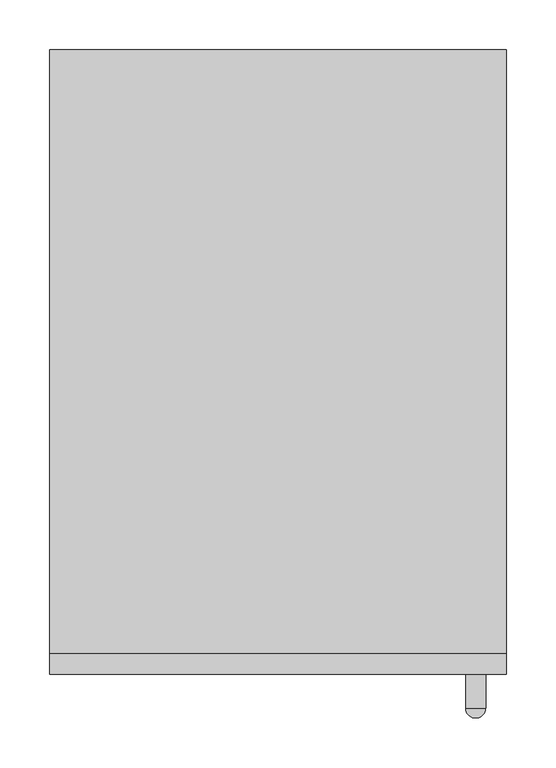
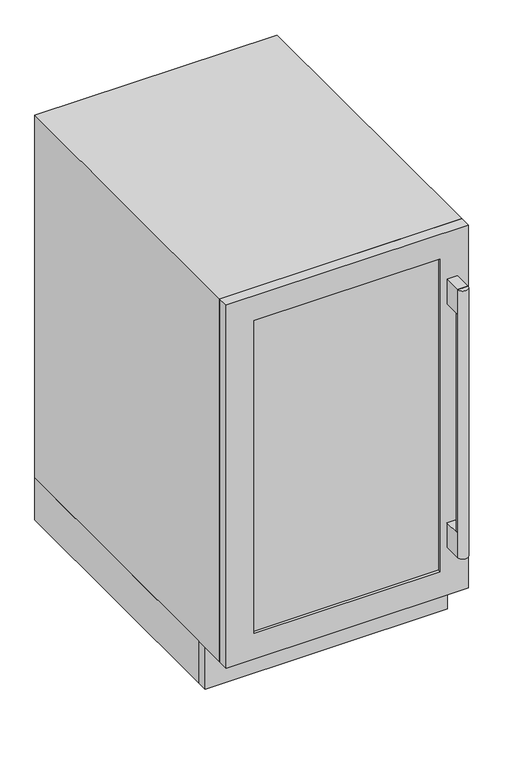
"""IFC4 building model written with IfcOpenShell, lengths in millimetres: proxy geometry."""

from ifc_helpers import new_model, si_unit, frame, origin, place, context, project, spatial, polyline, circle_curve, outline, extrude, source, transform, mapped, element, save
from ifc_brep_helpers import plane_surface, cylinder_surface, advanced_brep


def generic_models_91b37546(model_context):
    return source(origin(), model_context, "Body", "SolidModel", [
        extrude(outline(polyline([(416.8458536, -659.0), (416.8458536, -625.0), (436.7089802, -625.0), (436.7089802, -659.0), (416.8458536, -659.0)])), frame((0.0, 0.0, 197.6371599), z_axis=(0.0, 0.0, 1.0), x_axis=(1.0, 0.0, 0.0)), (0.0, 0.0, 1.0), 48.3961592),
        extrude(outline(polyline([(416.8458536, -659.0), (416.8458536, -625.0), (436.7089802, -625.0), (436.7089802, -659.0), (416.8458536, -659.0)])), frame((0.0, 0.0, 683.2301653), z_axis=(0.0, 0.0, 1.0), x_axis=(1.0, 0.0, 0.0)), (0.0, 0.0, 1.0), 48.3961592),
        advanced_brep(
        [(426.6869934, -659.0, 197.6371599), (416.6869934, -659.0, 197.6371599), (436.6869934, -659.0, 197.6371599), (416.6869934, -659.0, 731.6263245), (436.6869934, -659.0, 731.6263245), (426.6869934, -659.0, 731.6263245)],
        [
            (0, 1),
            (1, 2, circle_curve(frame((426.6869934, -659.0, 197.6371599), z_axis=(0.0, 0.0, -1.0), x_axis=(-1.0, 0.0, 0.0)), 10.0)),
            (2, 0),
            (2, 1, circle_curve(frame((426.6869934, -659.0, 197.6371599), z_axis=(0.0, 0.0, -1.0), x_axis=(-1.0, 0.0, 0.0)), 10.0)),
            (1, 3),
            (3, 4, circle_curve(frame((426.6869934, -659.0, 731.6263245), z_axis=(0.0, 0.0, -1.0), x_axis=(-1.0, 0.0, 0.0)), 10.0)),
            (4, 2),
            (4, 3, circle_curve(frame((426.6869934, -659.0, 731.6263245), z_axis=(0.0, 0.0, -1.0), x_axis=(-1.0, 0.0, 0.0)), 10.0)),
            (3, 5),
            (5, 4),
        ],
        [
            plane_surface(frame((426.6869934, -659.0, 197.6371599), z_axis=(0.0, 0.0, -1.0), x_axis=(-1.0, 0.0, 0.0))),
            cylinder_surface(frame((426.6869934, -659.0, 197.6371599), z_axis=(0.0, 0.0, -1.0), x_axis=(-1.0, 0.0, 0.0)), 10.0),
            plane_surface(frame((426.6869934, -659.0, 731.6263245), z_axis=(0.0, 0.0, 1.0), x_axis=(-1.0, 0.0, 0.0))),
        ],
        [
            (0, [[1, 2, 3]]),
            (0, [[-3, 4, -1]]),
            (1, [[-2, 5, 6, 7]]),
            (1, [[-4, -7, 8, -5]]),
            (2, [[-6, 9, 10]]),
            (2, [[-8, -10, -9]]),
        ],
    ),
        advanced_brep(
        [(380.9665588, -23.9652802, 0.0), (415.7943174, -23.9652802, 0.0), (398.3804381, -23.9652802, 0.0), (380.9665588, -23.9652802, 8.1111686), (415.7943174, -23.9652802, 8.1111686), (374.4151579, -23.9652802, 8.1111686), (422.3457183, -23.9652802, 8.1111686), (374.4151579, -23.9652802, 18.1111686), (422.3457183, -23.9652802, 18.1111686), (398.3804381, -23.9652802, 18.1111686)],
        [
            (0, 1, circle_curve(frame((398.3804381, -23.9652802, 0.0), z_axis=(0.0, 0.0, -1.0), x_axis=(1.0, 0.0, 0.0)), 17.4138793)),
            (1, 2),
            (2, 0),
            (1, 0, circle_curve(frame((398.3804381, -23.9652802, 0.0), z_axis=(0.0, 0.0, -1.0), x_axis=(1.0, 0.0, 0.0)), 17.4138793)),
            (3, 4, circle_curve(frame((398.3804381, -23.9652802, 8.1111686), z_axis=(0.0, 0.0, -1.0), x_axis=(1.0, 0.0, 0.0)), 17.4138793)),
            (4, 1),
            (0, 3),
            (4, 3, circle_curve(frame((398.3804381, -23.9652802, 8.1111686), z_axis=(0.0, 0.0, -1.0), x_axis=(1.0, 0.0, 0.0)), 17.4138793)),
            (5, 6, circle_curve(frame((398.3804381, -23.9652802, 8.1111686), z_axis=(0.0, 0.0, -1.0), x_axis=(1.0, 0.0, 0.0)), 23.9652802)),
            (6, 4),
            (3, 5),
            (6, 5, circle_curve(frame((398.3804381, -23.9652802, 8.1111686), z_axis=(0.0, 0.0, -1.0), x_axis=(1.0, 0.0, 0.0)), 23.9652802)),
            (7, 8, circle_curve(frame((398.3804381, -23.9652802, 18.1111686), z_axis=(0.0, 0.0, -1.0), x_axis=(1.0, 0.0, 0.0)), 23.9652802)),
            (8, 6),
            (5, 7),
            (8, 7, circle_curve(frame((398.3804381, -23.9652802, 18.1111686), z_axis=(0.0, 0.0, -1.0), x_axis=(1.0, 0.0, 0.0)), 23.9652802)),
            (9, 8),
            (7, 9),
        ],
        [
            plane_surface(frame((398.3804381, -23.9652802, 0.0), z_axis=(0.0, 0.0, -1.0), x_axis=(1.0, 0.0, 0.0))),
            cylinder_surface(frame((398.3804381, -23.9652802, 0.0), z_axis=(0.0, 0.0, 1.0), x_axis=(1.0, 0.0, 0.0)), 17.4138793),
            plane_surface(frame((398.3804381, -23.9652802, 8.1111686), z_axis=(0.0, 0.0, -1.0), x_axis=(1.0, 0.0, 0.0))),
            cylinder_surface(frame((398.3804381, -23.9652802, 0.0), z_axis=(0.0, 0.0, 1.0), x_axis=(1.0, 0.0, 0.0)), 23.9652802),
            plane_surface(frame((398.3804381, -23.9652802, 18.1111686), z_axis=(0.0, 0.0, 1.0), x_axis=(1.0, 0.0, 0.0))),
        ],
        [
            (0, [[1, 2, 3]]),
            (0, [[4, -3, -2]]),
            (1, [[5, 6, -1, 7]]),
            (1, [[8, -7, -4, -6]]),
            (2, [[9, 10, -5, 11]]),
            (2, [[12, -11, -8, -10]]),
            (3, [[13, 14, -9, 15]]),
            (3, [[16, -15, -12, -14]]),
            (4, [[17, -13, 18]]),
            (4, [[-18, -16, -17]]),
        ],
    ),
        advanced_brep(
        [(34.7165588, -23.9652802, 0.0), (69.5443174, -23.9652802, 0.0), (52.1304381, -23.9652802, 0.0), (34.7165588, -23.9652802, 8.1111686), (69.5443174, -23.9652802, 8.1111686), (28.1651579, -23.9652802, 8.1111686), (76.0957183, -23.9652802, 8.1111686), (28.1651579, -23.9652802, 18.1111686), (76.0957183, -23.9652802, 18.1111686), (52.1304381, -23.9652802, 18.1111686)],
        [
            (0, 1, circle_curve(frame((52.1304381, -23.9652802, 0.0), z_axis=(0.0, 0.0, -1.0), x_axis=(1.0, 0.0, 0.0)), 17.4138793)),
            (1, 2),
            (2, 0),
            (1, 0, circle_curve(frame((52.1304381, -23.9652802, 0.0), z_axis=(0.0, 0.0, -1.0), x_axis=(1.0, 0.0, 0.0)), 17.4138793)),
            (3, 4, circle_curve(frame((52.1304381, -23.9652802, 8.1111686), z_axis=(0.0, 0.0, -1.0), x_axis=(1.0, 0.0, 0.0)), 17.4138793)),
            (4, 1),
            (0, 3),
            (4, 3, circle_curve(frame((52.1304381, -23.9652802, 8.1111686), z_axis=(0.0, 0.0, -1.0), x_axis=(1.0, 0.0, 0.0)), 17.4138793)),
            (5, 6, circle_curve(frame((52.1304381, -23.9652802, 8.1111686), z_axis=(0.0, 0.0, -1.0), x_axis=(1.0, 0.0, 0.0)), 23.9652802)),
            (6, 4),
            (3, 5),
            (6, 5, circle_curve(frame((52.1304381, -23.9652802, 8.1111686), z_axis=(0.0, 0.0, -1.0), x_axis=(1.0, 0.0, 0.0)), 23.9652802)),
            (7, 8, circle_curve(frame((52.1304381, -23.9652802, 18.1111686), z_axis=(0.0, 0.0, -1.0), x_axis=(1.0, 0.0, 0.0)), 23.9652802)),
            (8, 6),
            (5, 7),
            (8, 7, circle_curve(frame((52.1304381, -23.9652802, 18.1111686), z_axis=(0.0, 0.0, -1.0), x_axis=(1.0, 0.0, 0.0)), 23.9652802)),
            (9, 8),
            (7, 9),
        ],
        [
            plane_surface(frame((52.1304381, -23.9652802, 0.0), z_axis=(0.0, 0.0, -1.0), x_axis=(1.0, 0.0, 0.0))),
            cylinder_surface(frame((52.1304381, -23.9652802, 0.0), z_axis=(0.0, 0.0, 1.0), x_axis=(1.0, 0.0, 0.0)), 17.4138793),
            plane_surface(frame((52.1304381, -23.9652802, 8.1111686), z_axis=(0.0, 0.0, -1.0), x_axis=(1.0, 0.0, 0.0))),
            cylinder_surface(frame((52.1304381, -23.9652802, 0.0), z_axis=(0.0, 0.0, 1.0), x_axis=(1.0, 0.0, 0.0)), 23.9652802),
            plane_surface(frame((52.1304381, -23.9652802, 18.1111686), z_axis=(0.0, 0.0, 1.0), x_axis=(1.0, 0.0, 0.0))),
        ],
        [
            (0, [[1, 2, 3]]),
            (0, [[4, -3, -2]]),
            (1, [[5, 6, -1, 7]]),
            (1, [[8, -7, -4, -6]]),
            (2, [[9, 10, -5, 11]]),
            (2, [[12, -11, -8, -10]]),
            (3, [[13, 14, -9, 15]]),
            (3, [[16, -15, -12, -14]]),
            (4, [[17, -13, 18]]),
            (4, [[-18, -16, -17]]),
        ],
    ),
        advanced_brep(
        [(380.9665588, -511.0679661, 0.0), (415.7943174, -511.0679661, 0.0), (398.3804381, -511.0679661, 0.0), (380.9665588, -511.0679661, 8.1111686), (415.7943174, -511.0679661, 8.1111686), (374.4151579, -511.0679661, 8.1111686), (422.3457183, -511.0679661, 8.1111686), (374.4151579, -511.0679661, 18.1111686), (422.3457183, -511.0679661, 18.1111686), (398.3804381, -511.0679661, 18.1111686)],
        [
            (0, 1, circle_curve(frame((398.3804381, -511.0679661, 0.0), z_axis=(0.0, 0.0, -1.0), x_axis=(1.0, 0.0, 0.0)), 17.4138793)),
            (1, 2),
            (2, 0),
            (1, 0, circle_curve(frame((398.3804381, -511.0679661, 0.0), z_axis=(0.0, 0.0, -1.0), x_axis=(1.0, 0.0, 0.0)), 17.4138793)),
            (3, 4, circle_curve(frame((398.3804381, -511.0679661, 8.1111686), z_axis=(0.0, 0.0, -1.0), x_axis=(1.0, 0.0, 0.0)), 17.4138793)),
            (4, 1),
            (0, 3),
            (4, 3, circle_curve(frame((398.3804381, -511.0679661, 8.1111686), z_axis=(0.0, 0.0, -1.0), x_axis=(1.0, 0.0, 0.0)), 17.4138793)),
            (5, 6, circle_curve(frame((398.3804381, -511.0679661, 8.1111686), z_axis=(0.0, 0.0, -1.0), x_axis=(1.0, 0.0, 0.0)), 23.9652802)),
            (6, 4),
            (3, 5),
            (6, 5, circle_curve(frame((398.3804381, -511.0679661, 8.1111686), z_axis=(0.0, 0.0, -1.0), x_axis=(1.0, 0.0, 0.0)), 23.9652802)),
            (7, 8, circle_curve(frame((398.3804381, -511.0679661, 18.1111686), z_axis=(0.0, 0.0, -1.0), x_axis=(1.0, 0.0, 0.0)), 23.9652802)),
            (8, 6),
            (5, 7),
            (8, 7, circle_curve(frame((398.3804381, -511.0679661, 18.1111686), z_axis=(0.0, 0.0, -1.0), x_axis=(1.0, 0.0, 0.0)), 23.9652802)),
            (9, 8),
            (7, 9),
        ],
        [
            plane_surface(frame((398.3804381, -511.0679661, 0.0), z_axis=(0.0, 0.0, -1.0), x_axis=(1.0, 0.0, 0.0))),
            cylinder_surface(frame((398.3804381, -511.0679661, 0.0), z_axis=(0.0, 0.0, 1.0), x_axis=(1.0, 0.0, 0.0)), 17.4138793),
            plane_surface(frame((398.3804381, -511.0679661, 8.1111686), z_axis=(0.0, 0.0, -1.0), x_axis=(1.0, 0.0, 0.0))),
            cylinder_surface(frame((398.3804381, -511.0679661, 0.0), z_axis=(0.0, 0.0, 1.0), x_axis=(1.0, 0.0, 0.0)), 23.9652802),
            plane_surface(frame((398.3804381, -511.0679661, 18.1111686), z_axis=(0.0, 0.0, 1.0), x_axis=(1.0, 0.0, 0.0))),
        ],
        [
            (0, [[1, 2, 3]]),
            (0, [[4, -3, -2]]),
            (1, [[5, 6, -1, 7]]),
            (1, [[8, -7, -4, -6]]),
            (2, [[9, 10, -5, 11]]),
            (2, [[12, -11, -8, -10]]),
            (3, [[13, 14, -9, 15]]),
            (3, [[16, -15, -12, -14]]),
            (4, [[17, -13, 18]]),
            (4, [[-18, -16, -17]]),
        ],
    ),
        advanced_brep(
        [(34.7165588, -511.0679661, 0.0), (69.5443174, -511.0679661, 0.0), (52.1304381, -511.0679661, 0.0), (34.7165588, -511.0679661, 8.1111686), (69.5443174, -511.0679661, 8.1111686), (28.1651579, -511.0679661, 8.1111686), (76.0957183, -511.0679661, 8.1111686), (28.1651579, -511.0679661, 18.1111686), (76.0957183, -511.0679661, 18.1111686), (52.1304381, -511.0679661, 18.1111686)],
        [
            (0, 1, circle_curve(frame((52.1304381, -511.0679661, 0.0), z_axis=(0.0, 0.0, -1.0), x_axis=(1.0, 0.0, 0.0)), 17.4138793)),
            (1, 2),
            (2, 0),
            (1, 0, circle_curve(frame((52.1304381, -511.0679661, 0.0), z_axis=(0.0, 0.0, -1.0), x_axis=(1.0, 0.0, 0.0)), 17.4138793)),
            (3, 4, circle_curve(frame((52.1304381, -511.0679661, 8.1111686), z_axis=(0.0, 0.0, -1.0), x_axis=(1.0, 0.0, 0.0)), 17.4138793)),
            (4, 1),
            (0, 3),
            (4, 3, circle_curve(frame((52.1304381, -511.0679661, 8.1111686), z_axis=(0.0, 0.0, -1.0), x_axis=(1.0, 0.0, 0.0)), 17.4138793)),
            (5, 6, circle_curve(frame((52.1304381, -511.0679661, 8.1111686), z_axis=(0.0, 0.0, -1.0), x_axis=(1.0, 0.0, 0.0)), 23.9652802)),
            (6, 4),
            (3, 5),
            (6, 5, circle_curve(frame((52.1304381, -511.0679661, 8.1111686), z_axis=(0.0, 0.0, -1.0), x_axis=(1.0, 0.0, 0.0)), 23.9652802)),
            (7, 8, circle_curve(frame((52.1304381, -511.0679661, 18.1111686), z_axis=(0.0, 0.0, -1.0), x_axis=(1.0, 0.0, 0.0)), 23.9652802)),
            (8, 6),
            (5, 7),
            (8, 7, circle_curve(frame((52.1304381, -511.0679661, 18.1111686), z_axis=(0.0, 0.0, -1.0), x_axis=(1.0, 0.0, 0.0)), 23.9652802)),
            (9, 8),
            (7, 9),
        ],
        [
            plane_surface(frame((52.1304381, -511.0679661, 0.0), z_axis=(0.0, 0.0, -1.0), x_axis=(1.0, 0.0, 0.0))),
            cylinder_surface(frame((52.1304381, -511.0679661, 0.0), z_axis=(0.0, 0.0, 1.0), x_axis=(1.0, 0.0, 0.0)), 17.4138793),
            plane_surface(frame((52.1304381, -511.0679661, 8.1111686), z_axis=(0.0, 0.0, -1.0), x_axis=(1.0, 0.0, 0.0))),
            cylinder_surface(frame((52.1304381, -511.0679661, 0.0), z_axis=(0.0, 0.0, 1.0), x_axis=(1.0, 0.0, 0.0)), 23.9652802),
            plane_surface(frame((52.1304381, -511.0679661, 18.1111686), z_axis=(0.0, 0.0, 1.0), x_axis=(1.0, 0.0, 0.0))),
        ],
        [
            (0, [[1, 2, 3]]),
            (0, [[4, -3, -2]]),
            (1, [[5, 6, -1, 7]]),
            (1, [[8, -7, -4, -6]]),
            (2, [[9, 10, -5, 11]]),
            (2, [[12, -11, -8, -10]]),
            (3, [[13, 14, -9, 15]]),
            (3, [[16, -15, -12, -14]]),
            (4, [[17, -13, 18]]),
            (4, [[-18, -16, -17]]),
        ],
    ),
        extrude(outline(polyline([(457.2, 0.0), (457.2, -535.0332464), (0.0, -535.0332464), (0.0, 0.0), (457.2, 0.0)])), frame((0.0, 0.0, 18.1111686), z_axis=(0.0, 0.0, 1.0), x_axis=(1.0, 0.0, 0.0)), (0.0, 0.0, 1.0), 83.8888314),
        extrude(outline(polyline([(457.25, 0.0), (457.25, -604.1010464), (0.0, -604.1010464), (0.0, 0.0), (457.25, 0.0)])), frame((0.0, 0.0, 102.0), z_axis=(0.0, 0.0, 1.0), x_axis=(1.0, 0.0, 0.0)), (0.0, 0.0, 1.0), 723.5),
        extrude(outline(polyline([(403.7514566, -619.0992389), (52.5014566, -619.0992389), (52.5014566, -614.5675886), (403.7514566, -614.5675886), (403.7514566, -619.0992389)])), frame((0.0, 0.0, 152.708469), z_axis=(0.0, 0.0, 1.0), x_axis=(1.0, 0.0, 0.0)), (0.0, 0.0, 1.0), 623.8465464),
        extrude(outline(polyline([(102.0, 0.0), (18.1111686, 0.0), (18.1111686, 457.2), (102.0, 457.2), (102.0, 353.811579), (102.0, 258.3969243), (102.0, 0.0)])), frame((0.0, -555.9322, 0.0), z_axis=(0.0, 1.0, 0.0), x_axis=(0.0, 0.0, 1.0)), (0.0, 0.0, 1.0), 20.8989536),
        extrude(outline(polyline([(825.9, 457.25), (825.9, 0.0), (102.0, 0.0), (102.0, 457.25), (825.9, 457.25)]), holes=[polyline([(152.708469, 52.5014566), (776.5550154, 52.5014566), (776.5550154, 403.7514566), (152.708469, 403.7514566), (152.708469, 52.5014566)])]), frame((0.0, -625.0, 0.0), z_axis=(0.0, 1.0, 0.0), x_axis=(0.0, 0.0, 1.0)), (0.0, 0.0, 1.0), 20.8989536),
    ])


if __name__ == "__main__":
    model = new_model("IFC4")
    model_context = context("Model", 3, world=origin())
    ifc_project = project(units=[si_unit("LENGTHUNIT", "METRE", prefix="MILLI")], contexts=[model_context])
    site = spatial("IfcSite", under=ifc_project)
    building = spatial("IfcBuilding", under=site)
    placement = place(None, origin())
    generic_models_shape = generic_models_91b37546(model_context)
    element("IfcBuildingElementProxy", 1, Name="Generic Models", at=placement, inside=building, context=model_context, shape_type="MappedRepresentation", body=[
        mapped(generic_models_shape, transform((0.0, 0.0, 0.0), x_axis=(1.0, 0.0, 0.0), y_axis=(0.0, 1.0, 0.0), z_axis=(0.0, 0.0, 1.0))),
    ])
    save(model, "model.ifc")
